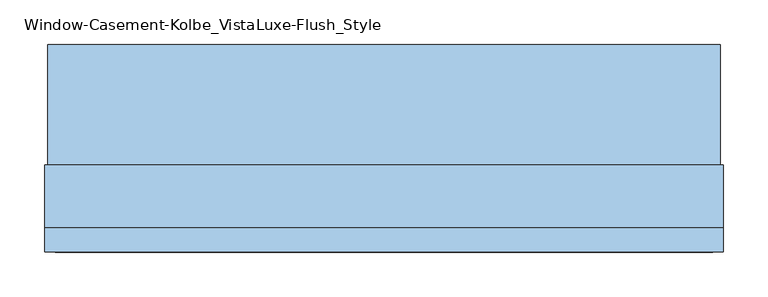
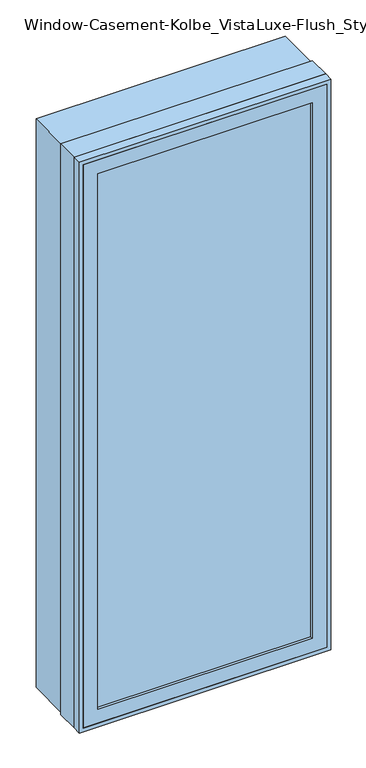
"""IFC4 building model written with IfcOpenShell, lengths in millimetres: window geometry, Window-Casement-Kolbe_VistaLuxe-Flush_Style."""

from ifc_helpers import new_model, si_unit, frame, origin, place, context, project, spatial, polyline, outline, extrude, faceted_brep, source, transform, mapped, element, save


def window_casement_kolbe_vistaluxe_flush_style_b3b1d350(model_context):
    return source(origin(), model_context, "Body", "SolidModel", [
        faceted_brep([(-330.2696599, -121.37898, 970.676875), (-330.2696599, -129.31648, 970.676875), (319.1765901, -129.31648, 970.676875), (319.1765901, -121.37898, 970.676875), (-346.1446599, -99.12858, 954.801875), (-346.1446599, -121.37898, 954.801875), (335.0515901, -121.37898, 954.801875), (335.0515901, -99.12858, 954.801875), (-330.2696599, -80.10398, 970.676875), (-330.2696599, -99.12858, 970.676875), (319.1765901, -99.12858, 970.676875), (319.1765901, -80.10398, 970.676875), (-374.7196599, -129.31648, 926.226875), (-374.7196599, -80.10398, 926.226875), (363.6265901, -80.10398, 926.226875), (363.6265901, -129.31648, 926.226875), (319.1765901, -129.31648, 2686.923125), (319.1765901, -121.37898, 2686.923125), (335.0515901, -121.37898, 2702.798125), (335.0515901, -99.12858, 2702.798125), (319.1765901, -99.12858, 2686.923125), (319.1765901, -80.10398, 2686.923125), (363.6265901, -80.10398, 2731.373125), (363.6265901, -129.31648, 2731.373125), (-330.2696599, -129.31648, 2686.923125), (-330.2696599, -121.37898, 2686.923125), (-346.1446599, -121.37898, 2702.798125), (-346.1446599, -99.12858, 2702.798125), (-330.2696599, -99.12858, 2686.923125), (-330.2696599, -80.10398, 2686.923125), (-374.7196599, -80.10398, 2731.373125), (-374.7196599, -129.31648, 2731.373125)], [[[0, 1, 2, 3]], [[4, 5, 6, 7]], [[8, 9, 10, 11]], [[12, 13, 14, 15]], [[3, 2, 16, 17]], [[7, 6, 18, 19]], [[11, 10, 20, 21]], [[15, 14, 22, 23]], [[17, 16, 24, 25]], [[19, 18, 26, 27]], [[21, 20, 28, 29]], [[23, 22, 30, 31]], [[25, 24, 1, 0]], [[5, 26, 18, 6], [3, 17, 25, 0]], [[27, 26, 5, 4]], [[7, 19, 27, 4], [9, 28, 20, 10]], [[29, 28, 9, 8]], [[13, 30, 22, 14], [11, 21, 29, 8]], [[31, 30, 13, 12]], [[15, 23, 31, 12], [1, 24, 16, 2]]]),
        extrude(outline(polyline([(2739.6186, 371.8720651), (2739.6186, -382.9651349), (917.9814, -382.9651349), (917.9814, 371.8720651), (2739.6186, 371.8720651)]), holes=[polyline([(936.545625, 353.3078401), (936.545625, -364.4009099), (2721.054375, -364.4009099), (2721.054375, 353.3078401), (936.545625, 353.3078401)])]), frame((0.0, -32.5247, 0.0), z_axis=(0.0, 1.0, 0.0), x_axis=(0.0, 0.0, 1.0)), (0.0, 0.0, 1.0), 135.7122),
        extrude(outline(polyline([(2743.2, -386.5465349), (914.4, -386.5465349), (914.4, 375.4534651), (2743.2, 375.4534651), (2743.2, -386.5465349)]), holes=[polyline([(2731.373125, 363.6265901), (926.226875, 363.6265901), (926.226875, -374.7196599), (2731.373125, -374.7196599), (2731.373125, 363.6265901)])]), frame((0.0, -130.1115, 0.0), z_axis=(0.0, 1.0, 0.0), x_axis=(0.0, 0.0, 1.0)), (0.0, 0.0, 1.0), 26.924),
        faceted_brep([(375.4534651, -32.5247, 914.4), (375.4534651, -103.1875, 914.4), (-386.5465349, -103.1875, 914.4), (-386.5465349, -32.5247, 914.4), (353.3078401, -80.10525, 936.545625), (353.3078401, -32.5247, 936.545625), (-364.4009099, -32.5247, 936.545625), (-364.4009099, -80.10525, 936.545625), (363.6265901, -103.1875, 926.226875), (363.6265901, -80.10525, 926.226875), (-374.7196599, -80.10525, 926.226875), (-374.7196599, -103.1875, 926.226875), (-386.5465349, -103.1875, 2743.2), (-386.5465349, -32.5247, 2743.2), (-364.4009099, -32.5247, 2721.054375), (-364.4009099, -80.10525, 2721.054375), (-374.7196599, -80.10525, 2731.373125), (-374.7196599, -103.1875, 2731.373125), (375.4534651, -103.1875, 2743.2), (375.4534651, -32.5247, 2743.2), (353.3078401, -32.5247, 2721.054375), (353.3078401, -80.10525, 2721.054375), (363.6265901, -80.10525, 2731.373125), (363.6265901, -103.1875, 2731.373125)], [[[0, 1, 2, 3]], [[4, 5, 6, 7]], [[8, 9, 10, 11]], [[3, 2, 12, 13]], [[7, 6, 14, 15]], [[11, 10, 16, 17]], [[13, 12, 18, 19]], [[15, 14, 20, 21]], [[17, 16, 22, 23]], [[19, 18, 1, 0]], [[3, 13, 19, 0], [5, 20, 14, 6]], [[21, 20, 5, 4]], [[9, 22, 16, 10], [7, 15, 21, 4]], [[23, 22, 9, 8]], [[1, 18, 12, 2], [11, 17, 23, 8]]]),
        extrude(outline(polyline([(331.8765901, -102.30358), (-342.9696599, -102.30358), (-342.9696599, -99.12858), (331.8765901, -99.12858), (331.8765901, -102.30358)])), frame((0.0, 0.0, 957.976875), z_axis=(0.0, 0.0, 1.0), x_axis=(1.0, 0.0, 0.0)), (0.0, 0.0, 1.0), 1741.64625),
        extrude(outline(polyline([(331.8765901, -118.20398), (331.8765901, -121.37898), (-342.9696599, -121.37898), (-342.9696599, -118.20398), (331.8765901, -118.20398)])), frame((0.0, 0.0, 957.976875), z_axis=(0.0, 0.0, 1.0), x_axis=(1.0, 0.0, 0.0)), (0.0, 0.0, 1.0), 1741.64625),
        extrude(outline(polyline([(936.545625, 353.3078401), (2721.054375, 353.3078401), (2721.054375, -364.4009099), (936.545625, -364.4009099), (936.545625, 353.3078401)]), holes=[polyline([(954.801875, -346.1446599), (2702.798125, -346.1446599), (2702.798125, 335.0515901), (954.801875, 335.0515901), (954.801875, -346.1446599)])]), frame((0.0, -80.10525, 0.0), z_axis=(0.0, 1.0, 0.0), x_axis=(0.0, 0.0, 1.0)), (0.0, 0.0, 1.0), 50.8),
    ])


if __name__ == "__main__":
    model = new_model("IFC4")
    model_context = context("Model", 3, world=origin())
    ifc_project = project(units=[si_unit("LENGTHUNIT", "METRE", prefix="MILLI")], contexts=[model_context])
    site = spatial("IfcSite", under=ifc_project)
    building = spatial("IfcBuilding", under=site)
    placement = place(None, origin())
    window_casement_kolbe_vistaluxe_flush_style_shape = window_casement_kolbe_vistaluxe_flush_style_b3b1d350(model_context)
    element("IfcWindow", 1, ObjectType="Window-Casement-Kolbe_VistaLuxe-Flush_Style", at=placement, inside=building, context=model_context, shape_type="MappedRepresentation", body=[
        mapped(window_casement_kolbe_vistaluxe_flush_style_shape, transform((0.0, 0.0, 0.0), x_axis=(1.0, 0.0, 0.0), y_axis=(0.0, 1.0, 0.0), z_axis=(0.0, 0.0, 1.0))),
    ])
    save(model, "model.ifc")
